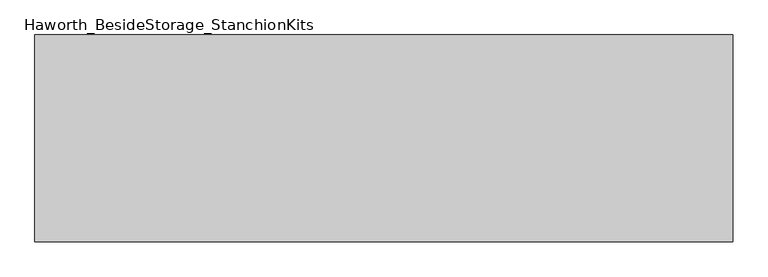
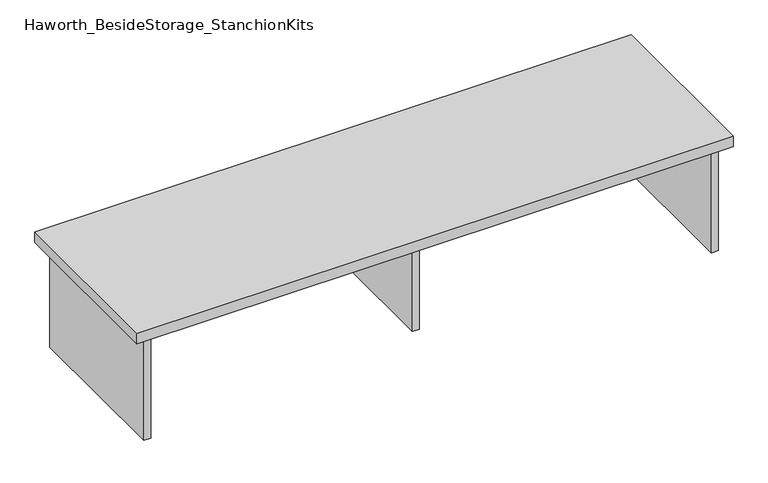
"""IFC4 building model written with IfcOpenShell, lengths in millimetres: furniture geometry, Haworth_BesideStorage_StanchionKits."""

from ifc_helpers import new_model, si_unit, frame, origin, place, context, project, spatial, polyline, outline, extrude, source, transform, mapped, element, save


def haworth_besidestorage_stanchionkits_7d88a1b9(model_context):
    return source(origin(), model_context, "Body", "SweptSolid", [
        extrude(outline(polyline([(847.725, 0.0), (847.725, -406.4), (-523.875, -406.4), (-523.875, 0.0), (847.725, 0.0)])), frame((0.0, 0.0, 685.8), z_axis=(0.0, 0.0, 1.0), x_axis=(1.0, 0.0, 0.0)), (0.0, 0.0, 1.0), 25.4),
        extrude(outline(polyline([(169.8625, -76.2), (806.45, -76.2), (806.45, -92.075), (169.8625, -92.075), (169.8625, -76.2)])), frame((0.0, 0.0, 431.8), z_axis=(0.0, 0.0, 1.0), x_axis=(1.0, 0.0, 0.0)), (0.0, 0.0, 1.0), 254.0),
        extrude(outline(polyline([(169.8625, -330.2), (153.9875, -330.2), (153.9875, -76.2), (169.8625, -76.2), (169.8625, -330.2)])), frame((0.0, 0.0, 431.8), z_axis=(0.0, 0.0, 1.0), x_axis=(1.0, 0.0, 0.0)), (0.0, 0.0, 1.0), 254.0),
        extrude(outline(polyline([(822.325, -390.525), (806.45, -390.525), (806.45, -15.875), (822.325, -15.875), (822.325, -390.525)])), frame((0.0, 0.0, 431.8), z_axis=(0.0, 0.0, 1.0), x_axis=(1.0, 0.0, 0.0)), (0.0, 0.0, 1.0), 254.0),
        extrude(outline(polyline([(-482.6, -390.525), (-498.475, -390.525), (-498.475, -15.875), (-482.6, -15.875), (-482.6, -390.525)])), frame((0.0, 0.0, 431.8), z_axis=(0.0, 0.0, 1.0), x_axis=(1.0, 0.0, 0.0)), (0.0, 0.0, 1.0), 254.0),
    ])


if __name__ == "__main__":
    model = new_model("IFC4")
    model_context = context("Model", 3, world=origin())
    ifc_project = project(units=[si_unit("LENGTHUNIT", "METRE", prefix="MILLI")], contexts=[model_context])
    site = spatial("IfcSite", under=ifc_project)
    building = spatial("IfcBuilding", under=site)
    placement = place(None, origin())
    haworth_besidestorage_stanchionkits_shape = haworth_besidestorage_stanchionkits_7d88a1b9(model_context)
    element("IfcFurniture", 1, ObjectType="Haworth_BesideStorage_StanchionKits", at=placement, inside=building, context=model_context, shape_type="MappedRepresentation", body=[
        mapped(haworth_besidestorage_stanchionkits_shape, transform((0.0, 0.0, 0.0), x_axis=(1.0, 0.0, 0.0), y_axis=(0.0, 1.0, 0.0), z_axis=(0.0, 0.0, 1.0))),
    ])
    save(model, "model.ifc")
